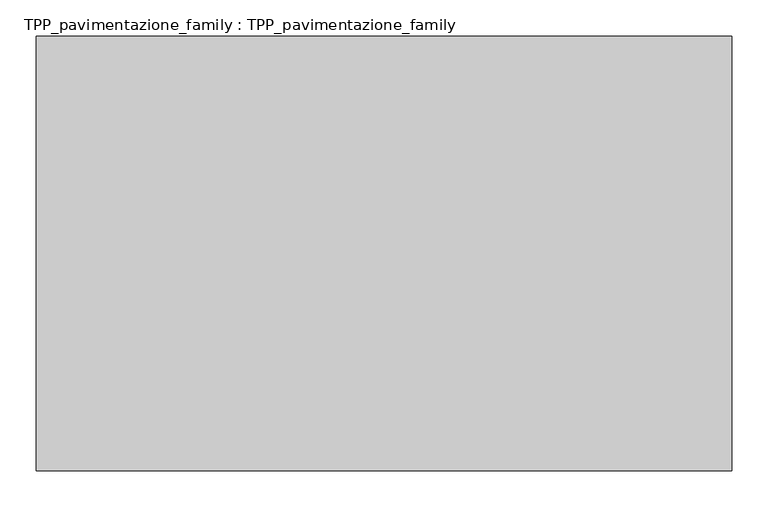
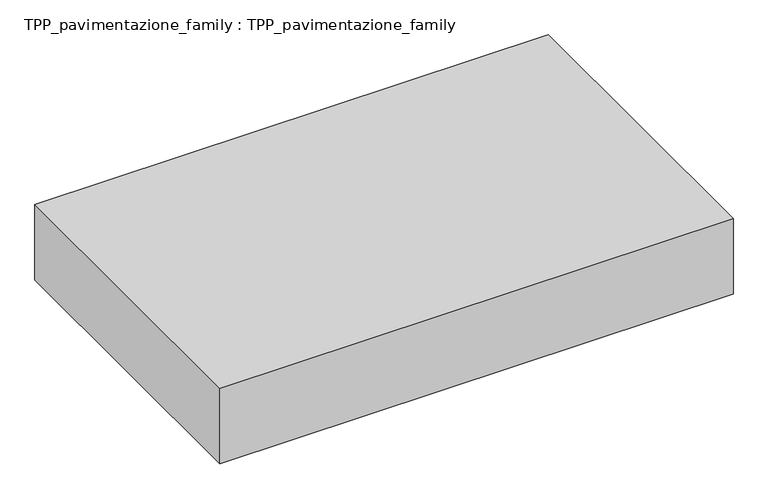
"""IFC4 building model written with IfcOpenShell, lengths in millimetres: proxy geometry, TPP_pavimentazione_family : TPP_pavimentazione_family."""

from ifc_helpers import new_model, si_unit, origin, origin_with_axes, place, context, project, spatial, polyline, outline, extrude, source, transform, mapped, element, save


def tpp_pavimentazione_family_tpp_pavimentazione_family_b8293672(model_context):
    return source(origin(), model_context, "Body", "SweptSolid", [
        extrude(outline(polyline([(511.8146187, 354.2201026), (511.8146187, -248.5834111), (-452.9793235, -248.5834111), (-452.9793235, 354.2201026), (511.8146187, 354.2201026)])), origin_with_axes(), (0.0, 0.0, 1.0), 150.0),
    ])


if __name__ == "__main__":
    model = new_model("IFC4")
    model_context = context("Model", 3, world=origin())
    ifc_project = project(units=[si_unit("LENGTHUNIT", "METRE", prefix="MILLI")], contexts=[model_context])
    site = spatial("IfcSite", under=ifc_project)
    building = spatial("IfcBuilding", under=site)
    placement = place(None, origin())
    tpp_pavimentazione_family_tpp_pavimentazione_family_shape = tpp_pavimentazione_family_tpp_pavimentazione_family_b8293672(model_context)
    element("IfcBuildingElementProxy", 1, Name="TPP_pavimentazione_family : TPP_pavimentazione_family", ObjectType="TPP_pavimentazione_family : TPP_pavimentazione_family", at=placement, inside=building, context=model_context, shape_type="MappedRepresentation", body=[
        mapped(tpp_pavimentazione_family_tpp_pavimentazione_family_shape, transform((0.0, 0.0, 0.0), x_axis=(1.0, 0.0, 0.0), y_axis=(0.0, 1.0, 0.0), z_axis=(0.0, 0.0, 1.0))),
    ])
    save(model, "model.ifc")
